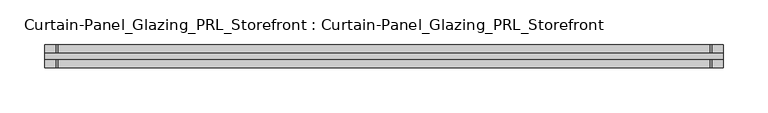
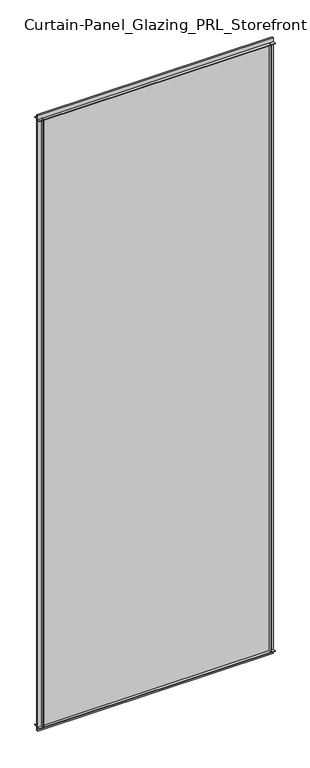
"""IFC4 building model written with IfcOpenShell, lengths in millimetres: plate geometry, Curtain-Panel_Glazing_PRL_Storefront : Curtain-Panel_Glazing_PRL_Storefront."""

from ifc_helpers import new_model, si_unit, frame, origin, origin_with_axes, place, context, project, spatial, polyline, outline, extrude, source, transform, mapped, element, save


def curtain_panel_glazing_prl_storefront_curtain_panel_glazing_dc64460b(model_context):
    return source(origin(), model_context, "Body", "SweptSolid", [
        extrude(outline(polyline([(346.6041667, -12.7), (345.0166667, -12.7), (345.0166667, -3.175), (346.6041667, -3.175), (346.6041667, -12.7)])), frame((0.0, 0.0, 12.7), z_axis=(0.0, 0.0, 1.0), x_axis=(1.0, 0.0, 0.0)), (0.0, 0.0, 1.0), 2060.575),
        extrude(outline(polyline([(346.6041667, 12.7), (346.6041667, 3.175), (345.0166667, 3.175), (345.0166667, 12.7), (346.6041667, 12.7)])), frame((0.0, 0.0, 12.7), z_axis=(0.0, 0.0, 1.0), x_axis=(1.0, 0.0, 0.0)), (0.0, 0.0, 1.0), 2060.575),
        extrude(outline(polyline([(-384.7041667, -12.7), (-384.7041667, -3.175), (-383.1166667, -3.175), (-383.1166667, -12.7), (-384.7041667, -12.7)])), frame((0.0, 0.0, 12.7), z_axis=(0.0, 0.0, 1.0), x_axis=(1.0, 0.0, 0.0)), (0.0, 0.0, 1.0), 2060.575),
        extrude(outline(polyline([(-384.7041667, 12.7), (-383.1166667, 12.7), (-383.1166667, 3.175), (-384.7041667, 3.175), (-384.7041667, 12.7)])), frame((0.0, 0.0, 12.7), z_axis=(0.0, 0.0, 1.0), x_axis=(1.0, 0.0, 0.0)), (0.0, 0.0, 1.0), 2060.575),
        extrude(outline(polyline([(359.3041667, 3.175), (359.3041667, -3.175), (-397.4041667, -3.175), (-397.4041667, 3.175), (359.3041667, 3.175)])), origin_with_axes(), (0.0, 0.0, 1.0), 2085.975),
        extrude(outline(polyline([(-397.4041667, -12.7), (-397.4041667, -3.175), (359.3041667, -3.175), (359.3041667, -12.7), (-397.4041667, -12.7)])), frame((0.0, 0.0, 2071.6875), z_axis=(0.0, 0.0, 1.0), x_axis=(1.0, 0.0, 0.0)), (0.0, 0.0, 1.0), 1.5875),
        extrude(outline(polyline([(-397.4041667, 12.7), (359.3041667, 12.7), (359.3041667, 3.175), (-397.4041667, 3.175), (-397.4041667, 12.7)])), frame((0.0, 0.0, 2071.6875), z_axis=(0.0, 0.0, 1.0), x_axis=(1.0, 0.0, 0.0)), (0.0, 0.0, 1.0), 1.5875),
        extrude(outline(polyline([(-397.4041667, -12.7), (-397.4041667, -3.175), (359.3041667, -3.175), (359.3041667, -12.7), (-397.4041667, -12.7)])), frame((0.0, 0.0, 12.7), z_axis=(0.0, 0.0, 1.0), x_axis=(1.0, 0.0, 0.0)), (0.0, 0.0, 1.0), 1.5875),
        extrude(outline(polyline([(-397.4041667, 12.7), (359.3041667, 12.7), (359.3041667, 3.175), (-397.4041667, 3.175), (-397.4041667, 12.7)])), frame((0.0, 0.0, 12.7), z_axis=(0.0, 0.0, 1.0), x_axis=(1.0, 0.0, 0.0)), (0.0, 0.0, 1.0), 1.5875),
    ])


if __name__ == "__main__":
    model = new_model("IFC4")
    model_context = context("Model", 3, world=origin())
    ifc_project = project(units=[si_unit("LENGTHUNIT", "METRE", prefix="MILLI")], contexts=[model_context])
    site = spatial("IfcSite", under=ifc_project)
    building = spatial("IfcBuilding", under=site)
    placement = place(None, origin())
    curtain_panel_glazing_prl_storefront_curtain_panel_glazing_shape = curtain_panel_glazing_prl_storefront_curtain_panel_glazing_dc64460b(model_context)
    element("IfcPlate", 1, ObjectType="Curtain-Panel_Glazing_PRL_Storefront : Curtain-Panel_Glazing_PRL_Storefront", at=placement, inside=building, context=model_context, shape_type="MappedRepresentation", body=[
        mapped(curtain_panel_glazing_prl_storefront_curtain_panel_glazing_shape, transform((0.0, 0.0, 0.0), x_axis=(1.0, 0.0, 0.0), y_axis=(0.0, 1.0, 0.0), z_axis=(0.0, 0.0, 1.0))),
    ])
    save(model, "model.ifc")
